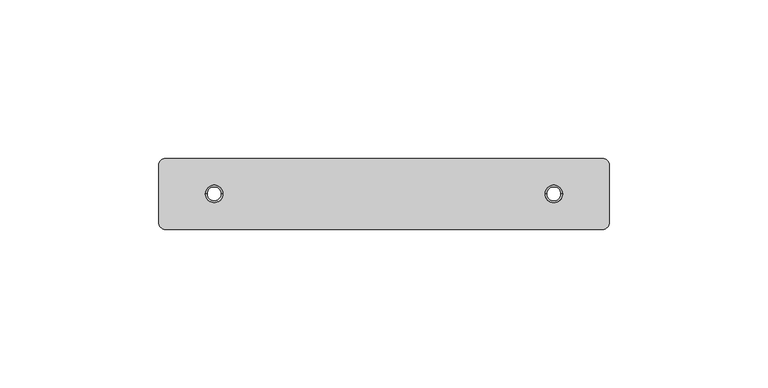
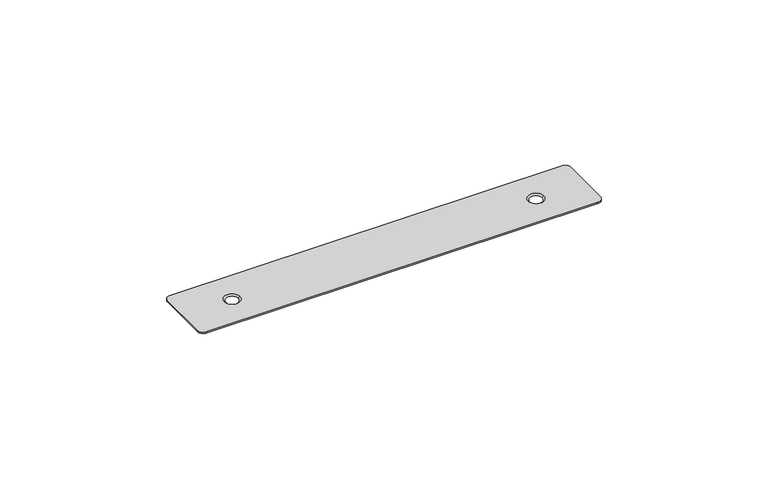
"""IFC4 building model written with IfcOpenShell, lengths in millimetres: proxy geometry."""

import ifcopenshell
import ifcopenshell.guid

model = None  # the IFC model being written
_history = None  # IfcOwnerHistory: only IFC2X3 demands one
_inside = {}  # id of a spatial element -> (the spatial element, [elements in it])
_under = {}  # id of a project, library or spatial element -> (it, [spatial elements below it])
_declared = {}  # id of a project -> (the project, [libraries it declares])
_typed = {}  # id of a type object -> (the type object, [elements of that type])
_made_of = {}  # id of a material, layer set ... -> (it, [elements and type objects made of it])


def new_model(schema):
    """Start an empty IFC model of exactly this schema.

    Asked for "IFC4X3", IfcOpenShell would pick the latest addendum, in which some entities
    have other attributes; the version numbers below select the first issue.
    IFC2X3 requires an IfcOwnerHistory on every rooted entity: one is made here for all.
    """
    global model, _history
    if schema == "IFC4X3":
        model = ifcopenshell.file(schema_version=(4, 3, 0, 0))
    else:
        model = ifcopenshell.file(schema=schema)
    _inside.clear()
    _under.clear()
    _declared.clear()
    _typed.clear()
    _made_of.clear()
    _history = None
    if model.schema == "IFC2X3":
        org = make("IfcOrganization", Name="unknown")
        user = make(
            "IfcPersonAndOrganization",
            ThePerson=make("IfcPerson", FamilyName="unknown"),
            TheOrganization=org,
        )
        app = make(
            "IfcApplication",
            ApplicationDeveloper=org,
            Version="unknown",
            ApplicationFullName="unknown",
            ApplicationIdentifier="unknown",
        )
        _history = make(
            "IfcOwnerHistory",
            OwningUser=user,
            OwningApplication=app,
            ChangeAction="ADDED",
            CreationDate=0,
        )
    return model


def make(cls, **values):
    """One entity of the class cls with the attributes given. An attribute that is None is left unset."""
    return model.create_entity(
        cls, **{name: value for name, value in values.items() if value is not None}
    )


def rooted(cls, **values):
    """An entity with a GlobalId (a new one), such as an element, a storey or a relation."""
    return make(cls, GlobalId=ifcopenshell.guid.new(), OwnerHistory=_history, **values)


def si_unit(unit_type, name, prefix=None):
    """IfcSIUnit, for example si_unit("LENGTHUNIT", "METRE", prefix="MILLI")."""
    return make("IfcSIUnit", UnitType=unit_type, Prefix=prefix, Name=name)


def assignment(units):
    """IfcUnitAssignment: the units of a project."""
    return None if units is None else make("IfcUnitAssignment", Units=units)


def point(xyz):
    """IfcCartesianPoint."""
    return None if xyz is None else make("IfcCartesianPoint", Coordinates=xyz)


def direction(xyz):
    """IfcDirection."""
    return None if xyz is None else make("IfcDirection", DirectionRatios=xyz)


def frame(location, z_axis=None, x_axis=None):
    """IfcAxis2Placement3D, a coordinate frame: its origin and axes. An axis left out is left unset."""
    return make(
        "IfcAxis2Placement3D",
        Location=point(location),
        Axis=direction(z_axis),
        RefDirection=direction(x_axis),
    )


def origin():
    """The frame at (0, 0, 0) with its axes left unset."""
    return frame((0.0, 0.0, 0.0))


def place(relative_to, where):
    """IfcLocalPlacement: puts the frame where relative to a parent placement (None: the world)."""
    return make(
        "IfcLocalPlacement", PlacementRelTo=relative_to, RelativePlacement=where
    )


def context(
    kind, dimensions, precision=None, world=None, true_north=None, identifier=None
):
    """IfcGeometricRepresentationContext, for example the 3D "Model" context."""
    return make(
        "IfcGeometricRepresentationContext",
        ContextIdentifier=identifier,
        ContextType=kind,
        CoordinateSpaceDimension=dimensions,
        Precision=precision,
        WorldCoordinateSystem=world,
        TrueNorth=true_north,
    )


def project(units=None, contexts=None):
    """IfcProject with its units and contexts."""
    return rooted(
        "IfcProject",
        Name="project",
        RepresentationContexts=contexts,
        UnitsInContext=assignment(units),
    )


def spatial(cls, under=None, at=None, **own):
    """A site, building, storey or space (cls), placed at a placement, below another one or the project."""
    s = rooted(cls, ObjectPlacement=at, **own)
    if under is not None:
        _under.setdefault(under.id(), (under, []))[1].append(s)
    return s


def polyline(points):
    """IfcPolyline through the points."""
    return make("IfcPolyline", Points=[point(p) for p in points])


def circle_curve(where, radius):
    """IfcCircle in the frame where."""
    return make("IfcCircle", Position=where, Radius=radius)


def shape(context_of_items, identifier, shape_type, items):
    """IfcShapeRepresentation: the items that make up one representation, for example the "Body"."""
    return make(
        "IfcShapeRepresentation",
        ContextOfItems=context_of_items,
        RepresentationIdentifier=identifier,
        RepresentationType=shape_type,
        Items=items,
    )


def source(mapping_origin, context_of_items, identifier, shape_type, items):
    """IfcRepresentationMap: a shape defined once, which mapped items show again and again."""
    return make(
        "IfcRepresentationMap",
        MappingOrigin=mapping_origin,
        MappedRepresentation=shape(context_of_items, identifier, shape_type, items),
    )


def transform(
    local_origin,
    x_axis=None,
    y_axis=None,
    z_axis=None,
    scale=None,
    scale2=None,
    scale3=None,
    uniform=True,
):
    """IfcCartesianTransformationOperator3D, or its non-uniform kind. x_axis, y_axis, z_axis: its Axis1, 2, 3."""
    if uniform:
        return make(
            "IfcCartesianTransformationOperator3D",
            Axis1=direction(x_axis),
            Axis2=direction(y_axis),
            LocalOrigin=point(local_origin),
            Scale=scale,
            Axis3=direction(z_axis),
        )
    return make(
        "IfcCartesianTransformationOperator3DnonUniform",
        Axis1=direction(x_axis),
        Axis2=direction(y_axis),
        LocalOrigin=point(local_origin),
        Scale=scale,
        Axis3=direction(z_axis),
        Scale2=scale2,
        Scale3=scale3,
    )


def mapped(mapping_source, mapping_target):
    """IfcMappedItem: shows the shape of a source again, moved by a transform."""
    return make(
        "IfcMappedItem", MappingSource=mapping_source, MappingTarget=mapping_target
    )


def made_of(thing, what):
    """Note that an element or type object is made of a material, layer set ...; save() writes the relation."""
    if what is not None:
        _made_of.setdefault(what.id(), (what, []))[1].append(thing)
    return thing


def element(
    cls,
    number,
    at=None,
    inside=None,
    cuts=None,
    type_object=None,
    material=None,
    context=None,
    identifier="Body",
    shape_type=None,
    held_by="IfcProductDefinitionShape",
    body=None,
    shapes=None,
    **own,
):
    """One element of the class cls, such as IfcWall. Its Tag is "e" and its number.

    at: its placement. inside: the storey or other place that contains it. cuts: it is an
    opening in that element (IfcRelVoidsElement). A single representation is given by context,
    identifier, shape_type and body (its items); several are given by shapes. held_by: the class
    of the entity that holds the representations. save() writes the other relations.
    """
    e = rooted(cls, Tag="e%d" % number, ObjectPlacement=at, **own)
    if body is not None:
        shapes = [shape(context, identifier, shape_type, body)]
    if shapes is not None:
        e.Representation = make(held_by, Representations=shapes)
    if inside is not None:
        _inside.setdefault(inside.id(), (inside, []))[1].append(e)
    if cuts is not None:
        rooted(
            "IfcRelVoidsElement", RelatingBuildingElement=cuts, RelatedOpeningElement=e
        )
    if type_object is not None:
        _typed.setdefault(type_object.id(), (type_object, []))[1].append(e)
    return made_of(e, material)


def aggregate(whole, parts):
    """IfcRelAggregates: a whole, such as a stair, and the parts it consists of."""
    return rooted("IfcRelAggregates", RelatingObject=whole, RelatedObjects=parts)


def save(model, path):
    """Write the relations noted so far, then the file.

    IfcRelAggregates (storeys below a building ...), IfcRelContainedInSpatialStructure (elements
    in a storey), IfcRelDefinesByType, IfcRelAssociatesMaterial and IfcRelDeclares: one each for
    every whole, place, type object, material and project.
    """
    for whole, parts in _under.values():
        aggregate(whole, parts)
    for where, things in _inside.values():
        rooted(
            "IfcRelContainedInSpatialStructure",
            RelatedElements=things,
            RelatingStructure=where,
        )
    for kind, things in _typed.values():
        rooted("IfcRelDefinesByType", RelatedObjects=things, RelatingType=kind)
    for what, things in _made_of.values():
        rooted("IfcRelAssociatesMaterial", RelatedObjects=things, RelatingMaterial=what)
    for by, libraries in _declared.values():
        rooted("IfcRelDeclares", RelatingContext=by, RelatedDefinitions=libraries)
    model.write(path)


def plane_surface(at):
    """IfcPlane: the flat surface through the origin of the frame at, square to its z axis."""
    return make("IfcPlane", Position=at)


def cylinder_surface(at, radius):
    """IfcCylindricalSurface: all points at the distance radius from the z axis of the frame at."""
    return make("IfcCylindricalSurface", Position=at, Radius=radius)


def revolved_surface(curve, axis_point, axis_direction):
    """IfcSurfaceOfRevolution: the curve turned about the line through axis_point along axis_direction."""
    return make(
        "IfcSurfaceOfRevolution",
        SweptCurve=make("IfcArbitraryOpenProfileDef", ProfileType="CURVE", Curve=curve),
        AxisPosition=make("IfcAxis1Placement", Location=point(axis_point), Axis=direction(axis_direction)),
    )


def advanced_brep(points, edges, surfaces, faces):
    """IfcAdvancedBrep: a solid bounded by faces that lie on surfaces and meet in shared edges.

    An edge is (start, end): straight between two places in points (the first is 0);
    or (start, end, curve); or (start, end, curve, False) where it runs against its curve.
    A face is (place in surfaces, loops), or (place, loops, False) where it looks against
    its surface's normal. A loop lists edges by number (the first is 1), with a minus sign
    where the edge is run from its end to its start. The first loop is the outer one.
    """
    corners = [point(p) for p in points]
    vertices = [make("IfcVertexPoint", VertexGeometry=c) for c in corners]
    made = []
    for start, end, *more in edges:
        made.append(
            make(
                "IfcEdgeCurve",
                EdgeStart=vertices[start],
                EdgeEnd=vertices[end],
                EdgeGeometry=more[0] if more else make("IfcPolyline", Points=[corners[start], corners[end]]),
                SameSense=more[1] if len(more) > 1 else True,
            )
        )
    hull = []
    for where, loops, *sense in faces:
        bounds = []
        for j, loop in enumerate(loops):
            ring = [make("IfcOrientedEdge", EdgeElement=made[abs(k) - 1], Orientation=k > 0) for k in loop]
            bounds.append(
                make(
                    "IfcFaceOuterBound" if j == 0 else "IfcFaceBound",
                    Bound=make("IfcEdgeLoop", EdgeList=ring),
                    Orientation=True,
                )
            )
        hull.append(make("IfcAdvancedFace", Bounds=bounds, FaceSurface=surfaces[where], SameSense=sense[0] if sense else True))
    return make("IfcAdvancedBrep", Outer=make("IfcClosedShell", CfsFaces=hull))


def generic_models_1dfd26da(model_context):
    return source(origin(), model_context, "Body", "AdvancedBrep", [
        advanced_brep(
        [(-141.6800662, 0.0, 12.0), (-142.1800662, 0.0, 12.5), (-136.6800662, 0.0, 12.5), (-137.1800662, 0.0, 12.0), (-34.6800662, 0.0, 12.0), (-35.1800662, 0.0, 12.5), (-29.6800662, 0.0, 12.5), (-30.1800662, 0.0, 12.0), (-17.0805232, 11.1800662, 12.5), (-154.7796092, 11.1800662, 12.5), (-156.9300662, 9.0296092, 12.5), (-156.9300662, -9.0296092, 12.5), (-154.7796092, -11.1800662, 12.5), (-17.0805232, -11.1800662, 12.5), (-14.9300662, -9.0296092, 12.5), (-14.9300662, 9.0296092, 12.5), (-14.9300662, 9.0296092, 12.0), (-17.0805232, 11.1800662, 12.0), (-14.9300662, -9.0296092, 12.0), (-17.0805232, -11.1800662, 12.0), (-154.7796092, -11.1800662, 12.0), (-156.9300662, -9.0296092, 12.0), (-156.9300662, 9.0296092, 12.0), (-154.7796092, 11.1800662, 12.0)],
        [
            (0, 1),
            (1, 2, circle_curve(frame((-139.4300662, 0.0, 12.5), z_axis=(0.0, 0.0, 1.0), x_axis=(-1.0, 0.0, 0.0)), 2.75)),
            (2, 3),
            (3, 0, circle_curve(frame((-139.4300662, 0.0, 12.0), z_axis=(0.0, 0.0, -1.0), x_axis=(-1.0, 0.0, 0.0)), 2.25)),
            (4, 5),
            (5, 6, circle_curve(frame((-32.4300662, 0.0, 12.5), z_axis=(0.0, 0.0, 1.0), x_axis=(-1.0, 0.0, 0.0)), 2.75)),
            (6, 7),
            (7, 4, circle_curve(frame((-32.4300662, 0.0, 12.0), z_axis=(0.0, 0.0, -1.0), x_axis=(-1.0, 0.0, 0.0)), 2.25)),
            (4, 7, circle_curve(frame((-32.4300662, 0.0, 12.0), z_axis=(0.0, 0.0, -1.0), x_axis=(1.0, 0.0, 0.0)), 2.25)),
            (6, 5, circle_curve(frame((-32.4300662, 0.0, 12.5), z_axis=(0.0, 0.0, 1.0), x_axis=(1.0, 0.0, 0.0)), 2.75)),
            (8, 9),
            (9, 10, circle_curve(frame((-154.7796092, 9.0296092, 12.5), z_axis=(0.0, 0.0, 1.0), x_axis=(0.0, -1.0, 0.0)), 2.150457)),
            (10, 11),
            (11, 12, circle_curve(frame((-154.7796092, -9.0296092, 12.5), z_axis=(0.0, 0.0, 1.0), x_axis=(1.0, 0.0, 0.0)), 2.150457)),
            (12, 13),
            (13, 14, circle_curve(frame((-17.0805232, -9.0296092, 12.5), z_axis=(0.0, 0.0, 1.0), x_axis=(0.0, 1.0, 0.0)), 2.150457)),
            (14, 15),
            (15, 8, circle_curve(frame((-17.0805232, 9.0296092, 12.5), z_axis=(0.0, 0.0, 1.0), x_axis=(-1.0, 0.0, 0.0)), 2.150457)),
            (1, 2, circle_curve(frame((-139.4300662, 0.0, 12.5), z_axis=(0.0, 0.0, -1.0), x_axis=(1.0, 0.0, 0.0)), 2.75)),
            (0, 3, circle_curve(frame((-139.4300662, 0.0, 12.0), z_axis=(0.0, 0.0, -1.0), x_axis=(1.0, 0.0, 0.0)), 2.25)),
            (16, 17, circle_curve(frame((-17.0805232, 9.0296092, 12.0), z_axis=(0.0, 0.0, 1.0), x_axis=(-1.0, 0.0, 0.0)), 2.150457)),
            (17, 8),
            (15, 16),
            (18, 16),
            (14, 18),
            (19, 18, circle_curve(frame((-17.0805232, -9.0296092, 12.0), z_axis=(0.0, 0.0, 1.0), x_axis=(0.0, 1.0, 0.0)), 2.150457)),
            (13, 19),
            (20, 19),
            (12, 20),
            (21, 20, circle_curve(frame((-154.7796092, -9.0296092, 12.0), z_axis=(0.0, 0.0, 1.0), x_axis=(1.0, 0.0, 0.0)), 2.150457)),
            (11, 21),
            (22, 21),
            (10, 22),
            (23, 22, circle_curve(frame((-154.7796092, 9.0296092, 12.0), z_axis=(0.0, 0.0, 1.0), x_axis=(0.0, -1.0, 0.0)), 2.150457)),
            (9, 23),
            (17, 23),
        ],
        [
            revolved_surface(polyline([(-142.1800662, 0.0, 12.5), (-141.6800662, 0.0, 12.0)]), (-139.4300662, 0.0, 9.75), (0.0, 0.0, 1.0)),
            revolved_surface(polyline([(-35.1800662, 0.0, 12.5), (-34.6800662, 0.0, 12.0)]), (-32.4300662, 0.0, 9.75), (0.0, 0.0, 1.0)),
            plane_surface(frame((-85.9300662, 0.0, 12.5), z_axis=(0.0, 0.0, 1.0), x_axis=(-1.0, 0.0, 0.0))),
            cylinder_surface(frame((-17.0805232, 9.0296092, 12.0), z_axis=(0.0, 0.0, 1.0), x_axis=(-1.0, 0.0, 0.0)), 2.150457),
            plane_surface(frame((-14.9300662, -9.0296092, 12.0), z_axis=(1.0, 0.0, 0.0), x_axis=(0.0, 1.0, 0.0))),
            cylinder_surface(frame((-17.0805232, -9.0296092, 12.0), z_axis=(0.0, 0.0, 1.0), x_axis=(0.0, 1.0, 0.0)), 2.150457),
            plane_surface(frame((-154.7796092, -11.1800662, 12.0), z_axis=(0.0, -1.0, 0.0), x_axis=(1.0, 0.0, 0.0))),
            cylinder_surface(frame((-154.7796092, -9.0296092, 12.0), z_axis=(0.0, 0.0, 1.0), x_axis=(1.0, 0.0, 0.0)), 2.150457),
            plane_surface(frame((-156.9300662, 9.0296092, 12.0), z_axis=(-1.0, 0.0, 0.0), x_axis=(0.0, -1.0, 0.0))),
            cylinder_surface(frame((-154.7796092, 9.0296092, 12.0), z_axis=(0.0, 0.0, 1.0), x_axis=(0.0, -1.0, 0.0)), 2.150457),
            plane_surface(frame((-17.0805232, 11.1800662, 12.0), z_axis=(0.0, 1.0, 0.0), x_axis=(-1.0, 0.0, 0.0))),
            plane_surface(frame((-85.9300662, 0.0, 12.0), z_axis=(0.0, 0.0, -1.0), x_axis=(-1.0, 0.0, 0.0))),
        ],
        [
            (0, [[1, 2, 3, 4]]),
            (1, [[5, 6, 7, 8]]),
            (1, [[-5, 9, -7, 10]]),
            (2, [[11, 12, 13, 14, 15, 16, 17, 18], [-10, -6], [19, -2]]),
            (0, [[-1, 20, -3, -19]]),
            (3, [[21, 22, -18, 23]]),
            (4, [[24, -23, -17, 25]]),
            (5, [[26, -25, -16, 27]]),
            (6, [[28, -27, -15, 29]]),
            (7, [[30, -29, -14, 31]]),
            (8, [[32, -31, -13, 33]]),
            (9, [[34, -33, -12, 35]]),
            (10, [[36, -35, -11, -22]]),
            (11, [[-36, -21, -24, -26, -28, -30, -32, -34], [-9, -8], [-20, -4]]),
        ],
    ),
    ])


if __name__ == "__main__":
    model = new_model("IFC4")
    model_context = context("Model", 3, world=origin())
    ifc_project = project(units=[si_unit("LENGTHUNIT", "METRE", prefix="MILLI")], contexts=[model_context])
    site = spatial("IfcSite", under=ifc_project)
    building = spatial("IfcBuilding", under=site)
    placement = place(None, origin())
    generic_models_shape = generic_models_1dfd26da(model_context)
    element("IfcBuildingElementProxy", 1, Name="Generic Models", at=placement, inside=building, context=model_context, shape_type="MappedRepresentation", body=[
        mapped(generic_models_shape, transform((0.0, 0.0, 0.0), x_axis=(1.0, 0.0, 0.0), y_axis=(0.0, 1.0, 0.0), z_axis=(0.0, 0.0, 1.0))),
    ])
    save(model, "model.ifc")
